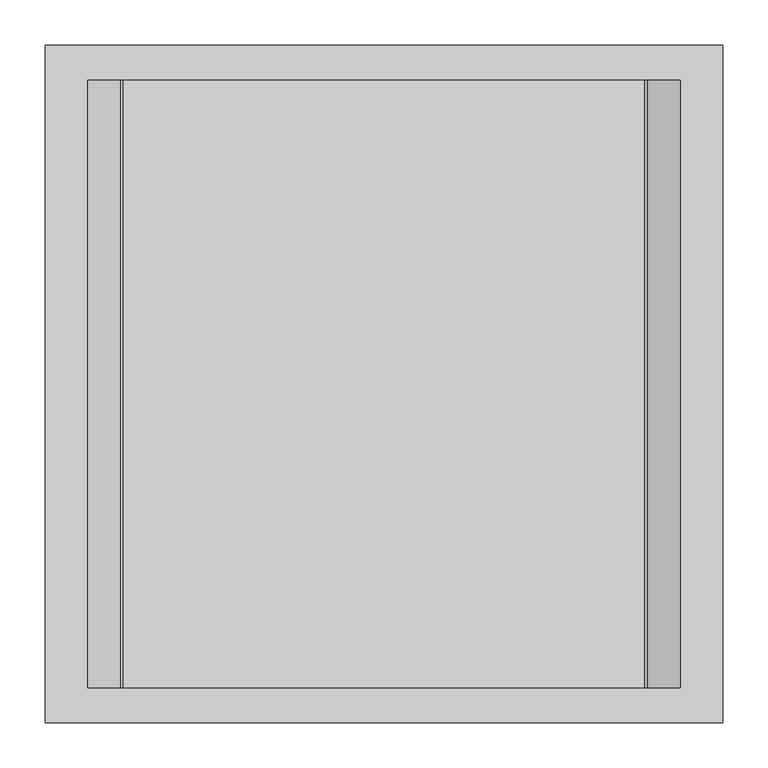
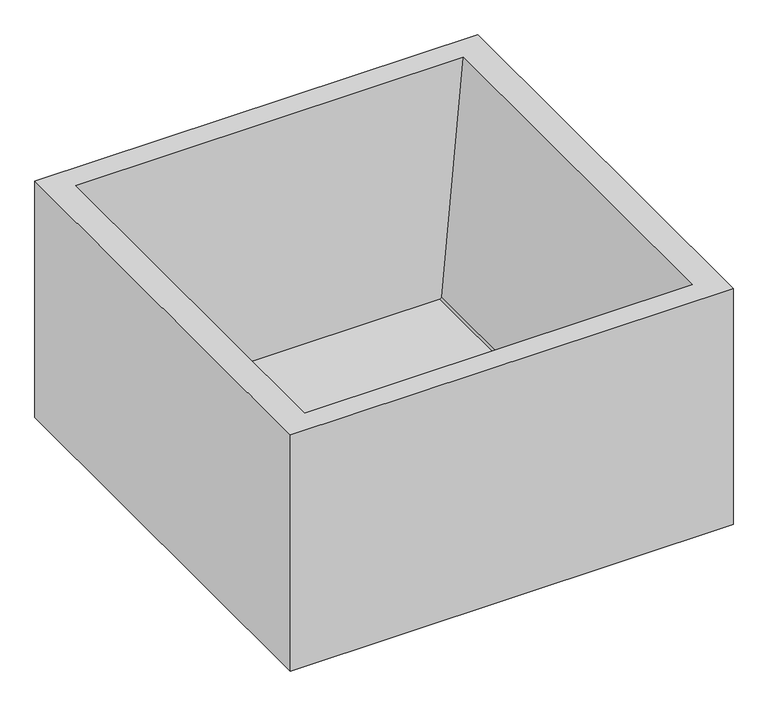
"""IFC4 building model written with IfcOpenShell, lengths in millimetres: furniture geometry."""

from ifc_helpers import new_model, si_unit, frame, origin, place, context, project, spatial, polyline, circle_curve, source, transform, mapped, element, save
from ifc_brep_helpers import plane_surface, revolved_surface, advanced_brep


def furniture_86868178(model_context):
    return source(origin(), model_context, "Body", "AdvancedBrep", [
        advanced_brep(
        [(-329.1922975, -336.0, 417.9460007), (-329.1922975, 336.0, 417.9460007), (-292.7579661, 336.0, 1.5), (-292.7579661, -336.0, 1.5), (292.7579661, 336.0, 1.5), (292.7579661, -336.0, 1.5), (329.1923701, 336.0, 417.9460007), (329.1923701, -336.0, 417.9460007), (336.0, 336.0, 417.9460007), (336.0, -336.0, 417.9460007), (375.0, -375.0, 423.0), (375.0, 375.0, 423.0), (-375.0, 375.0, 423.0), (-375.0, -375.0, 423.0), (328.1287133, 336.0, 423.0), (328.1287133, -336.0, 423.0), (-328.1287142, -336.0, 423.0), (-328.1287142, 336.0, 423.0), (291.6231691, 336.0, 5.7385335), (291.6231691, -336.0, 5.7385335), (288.634585, 336.0, 3.0), (288.634585, -336.0, 3.0), (-288.6345124, 336.0, 3.0), (-288.6345124, -336.0, 3.0), (-291.6230965, 336.0, 5.738533), (-291.6230965, -336.0, 5.738533), (-336.0, -336.0, 417.9460007), (-336.0, 336.0, 417.9460007), (375.0, -375.0, 0.0), (-375.0, -375.0, 0.0), (-375.0, 375.0, 0.0), (375.0, 375.0, 0.0), (336.0, -336.0, 0.0), (336.0, 336.0, 0.0), (-336.0, 336.0, 0.0), (-336.0, -336.0, 0.0)],
        [
            (0, 1),
            (1, 2),
            (2, 3),
            (3, 0),
            (2, 4),
            (4, 5),
            (5, 3),
            (4, 6),
            (6, 7),
            (7, 5),
            (6, 8),
            (8, 9),
            (9, 7),
            (10, 11),
            (11, 12),
            (12, 13),
            (13, 10),
            (14, 15),
            (15, 16),
            (16, 17),
            (17, 14),
            (14, 18),
            (18, 19),
            (19, 15),
            (18, 20, circle_curve(frame((288.634585, 336.0, 6.0), z_axis=(0.0, 1.0, 0.0), x_axis=(1.0, 0.0, 0.0)), 3.0)),
            (20, 21),
            (21, 19, circle_curve(frame((288.634585, -336.0, 6.0), z_axis=(0.0, -1.0, 0.0), x_axis=(1.0, 0.0, 0.0)), 3.0)),
            (20, 22),
            (22, 23),
            (23, 21),
            (22, 24, circle_curve(frame((-288.6345124, 336.0, 6.0), z_axis=(0.0, 1.0, 0.0), x_axis=(1.0, 0.0, 0.0)), 3.0)),
            (24, 25),
            (25, 23, circle_curve(frame((-288.6345124, -336.0, 6.0), z_axis=(0.0, -1.0, 0.0), x_axis=(1.0, 0.0, 0.0)), 3.0)),
            (24, 17),
            (16, 25),
            (0, 26),
            (26, 27),
            (27, 1),
            (28, 29),
            (29, 30),
            (30, 31),
            (31, 28),
            (32, 33),
            (33, 34),
            (34, 35),
            (35, 32),
            (10, 28),
            (31, 11),
            (30, 12),
            (29, 13),
            (35, 26),
            (9, 32),
            (34, 27),
            (33, 8),
        ],
        [
            plane_surface(frame((-329.1922975, -336.0, 417.9460007), z_axis=(-0.9961946924233825, 0.0, -0.08715580753731941), x_axis=(0.0, 1.0, 0.0))),
            plane_surface(frame((-292.7579661, -336.0, 1.5), z_axis=(0.0, 0.0, -1.0), x_axis=(0.0, 1.0, 0.0))),
            plane_surface(frame((292.7579661, -336.0, 1.5), z_axis=(0.9961946773301743, 0.0, -0.08715598005317769), x_axis=(0.0, 1.0, 0.0))),
            plane_surface(frame((329.1923701, -336.0, 417.9460007), z_axis=(0.0, 0.0, -1.0), x_axis=(0.0, 1.0, 0.0))),
            plane_surface(frame((336.0, -336.0, 423.0), z_axis=(0.0, 0.0, 1.0), x_axis=(0.0, 1.0, 0.0))),
            plane_surface(frame((328.1287133, -336.0, 423.0), z_axis=(-0.9961947196162452, 0.0, 0.08715549672115203), x_axis=(0.0, 1.0, 0.0))),
            revolved_surface(polyline([(291.634585, 336.0, 6.0), (291.634585, -336.0, 6.0)]), (288.634585, 336.0, 6.0), (0.0, 1.0, 0.0)),
            plane_surface(frame((288.634585, -336.0, 3.0), z_axis=(0.0, 0.0, 1.0), x_axis=(0.0, 1.0, 0.0))),
            revolved_surface(polyline([(-285.6345124, 336.0, 6.0), (-285.6345124, -336.0, 6.0)]), (-288.6345124, 336.0, 6.0), (0.0, 1.0, 0.0)),
            plane_surface(frame((-291.6230965, -336.0, 5.738533), z_axis=(0.9961947043979966, 0.0, 0.08715567066684972), x_axis=(0.0, 1.0, 0.0))),
            plane_surface(frame((-336.0, -336.0, 417.9460007), z_axis=(0.0, 0.0, -1.0), x_axis=(0.0, 1.0, 0.0))),
            plane_surface(frame((375.0, 375.0, 0.0), z_axis=(0.0, 0.0, -1.0), x_axis=(0.0, -1.0, 0.0))),
            plane_surface(frame((375.0, -375.0, 423.0), z_axis=(1.0, 0.0, 0.0), x_axis=(0.0, 0.0, -1.0))),
            plane_surface(frame((375.0, 375.0, 423.0), z_axis=(0.0, 1.0, 0.0), x_axis=(0.0, 0.0, -1.0))),
            plane_surface(frame((-375.0, 375.0, 423.0), z_axis=(-1.0, 0.0, 0.0), x_axis=(0.0, 0.0, -1.0))),
            plane_surface(frame((-375.0, -375.0, 423.0), z_axis=(0.0, -1.0, 0.0), x_axis=(0.0, 0.0, -1.0))),
            plane_surface(frame((336.0, -336.0, 423.0), z_axis=(0.0, 1.0, 0.0), x_axis=(0.0, 0.0, -1.0))),
            plane_surface(frame((-336.0, -336.0, 423.0), z_axis=(1.0, 0.0, 0.0), x_axis=(0.0, 0.0, -1.0))),
            plane_surface(frame((-336.0, 336.0, 423.0), z_axis=(0.0, -1.0, 0.0), x_axis=(0.0, 0.0, -1.0))),
            plane_surface(frame((336.0, 336.0, 423.0), z_axis=(-1.0, 0.0, 0.0), x_axis=(0.0, 0.0, -1.0))),
        ],
        [
            (0, [[1, 2, 3, 4]]),
            (1, [[-3, 5, 6, 7]]),
            (2, [[-6, 8, 9, 10]]),
            (3, [[-9, 11, 12, 13]]),
            (4, [[14, 15, 16, 17], [18, 19, 20, 21]]),
            (5, [[-18, 22, 23, 24]]),
            (6, [[-23, 25, 26, 27]]),
            (7, [[-26, 28, 29, 30]]),
            (8, [[-29, 31, 32, 33]]),
            (9, [[-32, 34, -20, 35]]),
            (10, [[-1, 36, 37, 38]]),
            (11, [[39, 40, 41, 42], [43, 44, 45, 46]]),
            (12, [[-14, 47, -42, 48]]),
            (13, [[-15, -48, -41, 49]]),
            (14, [[-16, -49, -40, 50]]),
            (15, [[-17, -50, -39, -47]]),
            (16, [[-19, -24, -27, -30, -33, -35]]),
            (16, [[-46, 51, -36, -4, -7, -10, -13, 52]]),
            (17, [[-45, 53, -37, -51]]),
            (18, [[-21, -34, -31, -28, -25, -22]]),
            (18, [[-44, 54, -11, -8, -5, -2, -38, -53]]),
            (19, [[-43, -52, -12, -54]]),
        ],
    ),
    ])


if __name__ == "__main__":
    model = new_model("IFC4")
    model_context = context("Model", 3, world=origin())
    ifc_project = project(units=[si_unit("LENGTHUNIT", "METRE", prefix="MILLI")], contexts=[model_context])
    site = spatial("IfcSite", under=ifc_project)
    building = spatial("IfcBuilding", under=site)
    placement = place(None, origin())
    furniture_shape = furniture_86868178(model_context)
    element("IfcFurniture", 1, at=placement, inside=building, context=model_context, shape_type="MappedRepresentation", body=[
        mapped(furniture_shape, transform((0.0, 0.0, 0.0), x_axis=(1.0, 0.0, 0.0), y_axis=(0.0, 1.0, 0.0), z_axis=(0.0, 0.0, 1.0))),
    ])
    save(model, "model.ifc")
